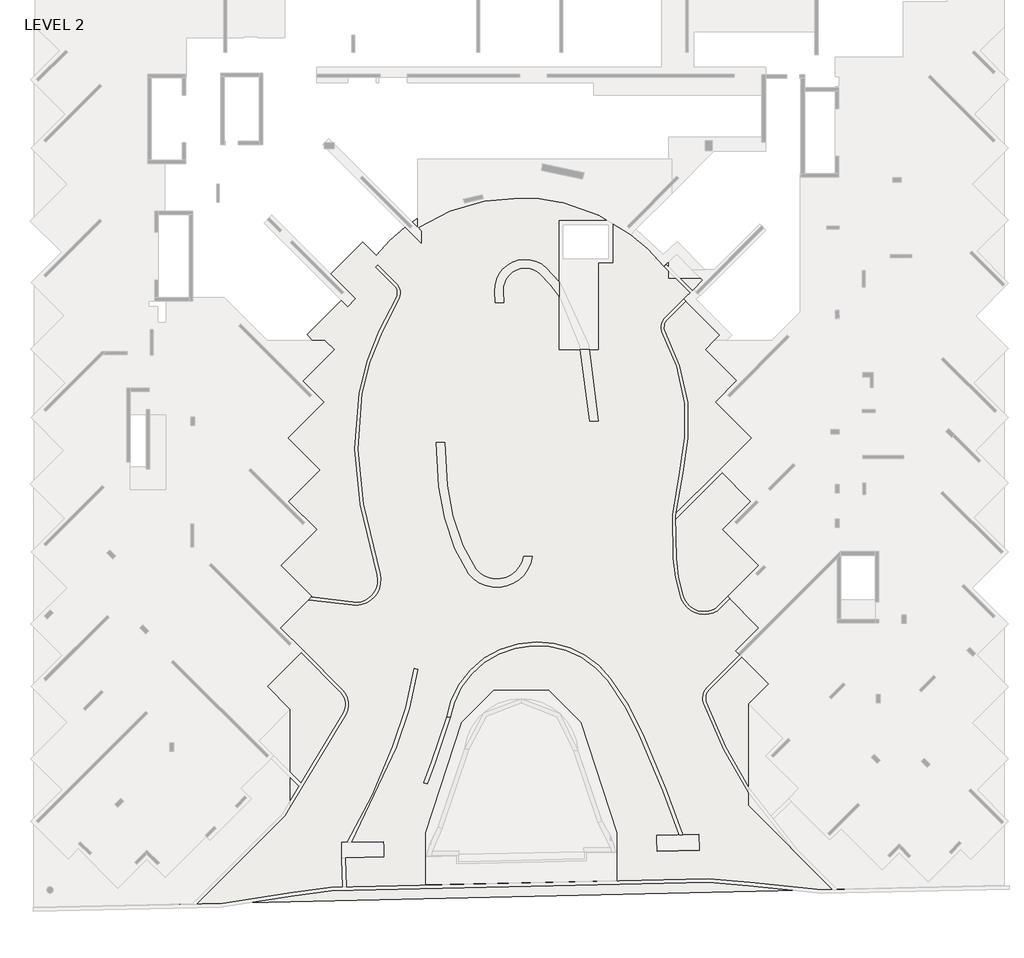
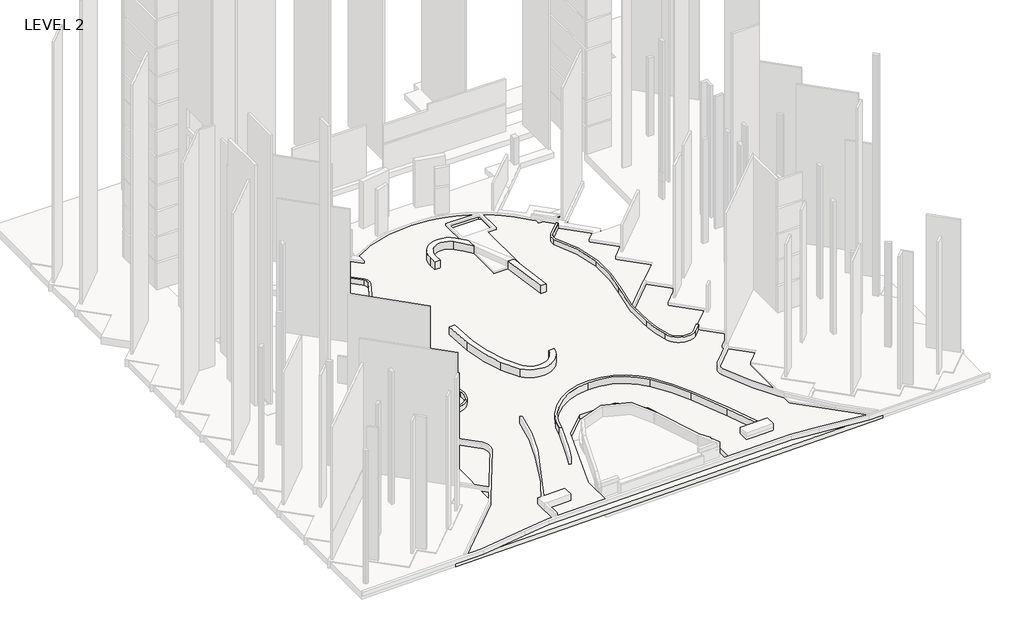
# One storey, part 7 of 9: 6 slabs.
"""IFC4 building model written with IfcOpenShell, lengths in millimetres."""

from ifc_helpers import new_model, si_unit, point, frame, frame_2d, origin, place, context, project, spatial, polyline, circle_curve, trimmed, segment, composite_curve, outline, extrude, element, save
from ifc_brep_helpers import plane_surface, cylinder_surface, revolved_surface, advanced_brep

model = new_model("IFC4")

# Units and contexts
model_context = context("Model", 3, world=origin())
ifc_project = project(units=[si_unit("LENGTHUNIT", "METRE", prefix="MILLI")], contexts=[model_context])

# Site, building, storey
site = spatial("IfcSite", under=ifc_project)
building = spatial("IfcBuilding", under=site)
storey = spatial("IfcBuildingStorey", under=building, Name="LEVEL 2", Elevation=6400.0)

# Slabs
placement = place(None, origin())
element("IfcSlab", 1, ObjectType="500 TRANSFER SLAB", at=placement, inside=storey, context=model_context, shape_type="AdvancedBrep", body=[
    advanced_brep(
    [(194842.4547218, 162595.1642451, 5600.0), (192991.4203716, 164446.1985953, 5600.0), (195526.2610305, 166981.0392541, 5600.0), (193935.3200159, 168571.9802687, 5600.0), (196141.4931732, 170778.153426, 5600.0), (193950.8837771, 172968.7628221, 5600.0), (196482.3214168, 175500.2004618, 5600.0), (194492.322329, 177490.1995495, 5600.0), (196698.4294091, 179696.3066297, 5600.0), (194441.0325421, 181953.7034967, 5600.0), (196972.5455329, 184485.2164875, 5600.0), (195510.4381327, 185947.3238876, 5600.0), (197716.6112901, 188153.497045, 5600.0), (197067.4589571, 188802.649378, 5600.0), (196659.5057217, 189210.6026134, 5600.0), (199615.212067, 192166.3089587, 5600.0), (198305.5012468, 193476.019779, 5600.0), (200568.2439929, 195738.7625251, 5600.0), (201523.5822749, 194783.4242431, 5600.0), (209566.3095501, 199270.0058304, 5600.0), (214385.573271, 199150.1591572, 5600.0), (214685.5736262, 199082.5400279, 5600.0), (218896.100302, 197254.6570902, 5600.0), (221717.4561682, 194836.6052583, 5600.0), (222096.1491692, 195188.234982, 5600.0), (222096.1491692, 194369.4652705, 5600.0), (222096.1491692, 193212.649378, 5600.0), (224334.1950241, 193212.649378, 5600.0), (224791.0345114, 193669.4888652, 5600.0), (225376.1922478, 193084.3311288, 5600.0), (224005.809227, 191713.9481081, 5600.0), (226537.2515037, 189182.5058314, 5600.0), (226157.3950502, 188802.649378, 5600.0), (225547.30201, 188192.5563378, 5600.0), (227753.4751673, 185986.3831805, 5600.0), (226252.4959637, 184485.4039768, 5600.0), (228783.9441688, 181953.9557718, 5600.0), (226521.202469, 179691.214072, 5600.0), (228727.3743348, 177485.0422061, 5600.0), (226761.6174831, 175519.2853544, 5600.0), (229293.0597598, 172987.8430777, 5600.0), (227083.5529604, 170778.3362784, 5600.0), (229289.90897, 168571.9802687, 5600.0), (227670.6836842, 166952.7549829, 5600.0), (229989.9939265, 164633.4447406, 5600.0), (228322.4499864, 162965.9008006, 5600.0), (228322.4499864, 162614.428938, 5600.0), (228322.4499864, 156324.0781567, 5600.0), (234463.7133537, 150182.8147894, 5600.0), (187681.4543592, 149120.3033393, 5600.0), (194842.4547218, 156281.3037019, 5600.0), (194842.4547218, 162243.6923825, 5600.0), (205019.4448888, 150479.2795986, 5600.0), (218436.3204833, 150784.1848017, 5600.0), (218436.3204833, 154161.1019726, 5600.0), (215909.7571098, 161937.0644729, 5600.0), (213661.3978573, 164185.4237254, 5600.0), (209794.3675147, 164185.4237254, 5600.0), (207546.0082623, 161937.0644729, 5600.0), (205019.4448888, 154161.1019726, 5600.0), (217934.8799629, 197237.649378, 5600.0), (214685.5689775, 197237.649378, 5600.0), (214385.5689775, 197237.649378, 5600.0), (214385.5689775, 188172.649378, 5600.0), (217145.5689775, 188172.649378, 5600.0), (217145.5689775, 194287.649378, 5600.0), (218155.5689775, 194287.649378, 5600.0), (218155.5689775, 197112.670826, 5600.0), (204437.7148824, 197413.6077568, 6100.0), (204046.8231035, 197150.7594054, 6100.0), (204437.7148824, 196759.8676266, 6100.0), (192991.4203716, 164446.1985953, 6100.0), (194842.4547218, 162595.1642451, 6100.0), (194842.4547218, 162243.6923825, 6100.0), (194842.4547218, 156281.3037019, 6100.0), (187681.4543592, 149120.3033393, 6100.0), (234463.7133537, 150182.8147894, 6100.0), (228322.4499864, 156324.0781567, 6100.0), (228322.4499864, 162614.428938, 6100.0), (228322.4499864, 162965.9008006, 6100.0), (229989.9939265, 164633.4447406, 6100.0), (227670.6836842, 166952.7549829, 6100.0), (229289.90897, 168571.9802687, 6100.0), (227083.5529604, 170778.3362784, 6100.0), (229293.0597598, 172987.8430777, 6100.0), (226761.6174831, 175519.2853544, 6100.0), (228727.3743348, 177485.0422061, 6100.0), (226521.202469, 179691.214072, 6100.0), (228783.9441688, 181953.9557718, 6100.0), (226252.4959637, 184485.4039768, 6100.0), (227753.4751673, 185986.3831805, 6100.0), (225547.30201, 188192.5563378, 6100.0), (226157.3950502, 188802.649378, 6100.0), (226537.2515037, 189182.5058314, 6100.0), (224005.809227, 191713.9481081, 6100.0), (224272.5545476, 191980.6934287, 6100.0), (223848.2904789, 192404.9574974, 6100.0), (224495.0886918, 193051.7557103, 6100.0), (224334.1950241, 193212.649378, 6100.0), (222843.744852, 193212.649378, 6100.0), (222560.9021396, 193212.649378, 6100.0), (222096.1491692, 193212.649378, 6100.0), (222096.1491692, 193677.4023483, 6100.0), (222096.1491692, 193960.2450608, 6100.0), (222096.1491692, 195188.234982, 6100.0), (221717.4561682, 194836.6052583, 6100.0), (219787.5342604, 196631.4732276, 6100.0), (219427.0324267, 196270.9713939, 6100.0), (218590.6932732, 196848.8458027, 6100.0), (218155.5689775, 197112.670826, 6100.0), (218155.5689775, 194287.649378, 6100.0), (217145.5689775, 194287.649378, 6100.0), (217145.5689775, 188172.649378, 6100.0), (214385.5689775, 188172.649378, 6100.0), (214385.5689775, 197237.649378, 6100.0), (217934.8799629, 197237.649378, 6100.0), (214685.5694668, 198493.9042698, 6100.0), (214385.5633866, 198561.1362281, 6100.0), (211612.4270036, 198837.7401482, 6100.0), (204460.6709386, 196736.9115704, 6100.0), (204687.7148824, 196509.8676266, 6100.0), (204687.7148824, 195661.3394892, 6100.0), (203949.8088815, 196399.24549, 6100.0), (203558.7634232, 196790.2909484, 6100.0), (201523.5822749, 194783.4242431, 6100.0), (200568.2439929, 195738.7625251, 6100.0), (198305.5012468, 193476.019779, 6100.0), (198729.7653155, 193051.7557103, 6100.0), (199615.212067, 192166.3089587, 6100.0), (199076.5104922, 191627.6073839, 6100.0), (196659.5057217, 189210.6026134, 6100.0), (197067.4589571, 188802.649378, 6100.0), (197716.6112901, 188153.497045, 6100.0), (195510.4381327, 185947.3238876, 6100.0), (196972.5455329, 184485.2164875, 6100.0), (194441.0325421, 181953.7034967, 6100.0), (196698.4294091, 179696.3066297, 6100.0), (194492.322329, 177490.1995495, 6100.0), (196482.3214168, 175500.2004618, 6100.0), (193950.8837771, 172968.7628221, 6100.0), (196141.4931732, 170778.153426, 6100.0), (193935.3200159, 168571.9802687, 6100.0), (195526.2610305, 166981.0392541, 6100.0), (218436.3204833, 150784.1848017, 6100.0), (205019.4448888, 150479.2795986, 6100.0), (205019.4448888, 154161.1019726, 6100.0), (207546.0082623, 161937.0644729, 6100.0), (209794.3675147, 164185.4237254, 6100.0), (213661.3978573, 164185.4237254, 6100.0), (215909.7571098, 161937.0644729, 6100.0), (218436.3204833, 154161.1019726, 6100.0), (225376.1922478, 193084.3311288, 5800.0), (224791.0345114, 193669.4888652, 5800.0), (224272.5545476, 191980.6934287, 5800.0), (217934.8799629, 197237.649378, 5800.0), (218155.5689775, 197112.670826, 5800.0), (218896.100302, 197254.6570902, 5800.0), (219787.5342604, 196631.4732276, 5800.0), (203558.7634232, 196790.2909484, 5800.0), (204046.8231035, 197150.7594054, 5800.0), (204437.7148824, 197413.6077568, 5800.0), (209566.3095501, 199270.0058304, 5800.0), (214385.5689775, 199150.1601035, 5800.0), (214685.5689775, 199082.5413665, 5800.0), (218590.6932732, 196848.8458027, 5800.0), (219427.0324267, 196270.9713939, 5800.0), (204437.7148824, 196759.8676266, 5800.0), (204687.7148824, 195661.3394892, 5800.0), (204687.7148824, 196509.8676266, 5800.0), (204460.6709386, 196736.9115704, 5800.0), (211612.4270036, 198837.7401482, 5800.0), (224495.0886918, 193051.7557103, 5800.0), (223848.2904789, 192404.9574974, 5800.0), (224334.1950241, 193212.649378, 5800.0)],
    [
        (0, 1),
        (1, 2),
        (2, 3),
        (3, 4),
        (4, 5),
        (5, 6),
        (6, 7),
        (7, 8),
        (8, 9),
        (9, 10),
        (10, 11),
        (11, 12),
        (12, 13),
        (13, 14),
        (14, 15),
        (15, 16),
        (16, 17),
        (17, 18),
        (18, 19, circle_curve(frame((211050.3523109, 187157.623984, 5600.0), z_axis=(0.0, 0.0, -1.0), x_axis=(1.0, 0.0, 0.0)), 12202.9577116)),
        (19, 20, circle_curve(frame((211655.8914284, 186340.2578392, 5600.0), z_axis=(0.0, 0.0, -1.0), x_axis=(1.0, 0.0, 0.0)), 13097.5087533)),
        (20, 21, circle_curve(frame((211655.8914284, 186340.2578392, 5600.0), z_axis=(0.0, 0.0, -1.0), x_axis=(1.0, 0.0, 0.0)), 13097.5087227)),
        (21, 22, circle_curve(frame((211655.8914284, 186340.2578392, 5600.0), z_axis=(0.0, 0.0, -1.0), x_axis=(1.0, 0.0, 0.0)), 13097.5085263)),
        (22, 23, circle_curve(frame((211667.830905, 185965.803932, 5600.0), z_axis=(0.0, 0.0, -1.0), x_axis=(1.0, 0.0, 0.0)), 13404.7038051)),
        (23, 24),
        (24, 25),
        (25, 26),
        (26, 27),
        (27, 28),
        (28, 29),
        (29, 30),
        (30, 31),
        (31, 32),
        (32, 33),
        (33, 34),
        (34, 35),
        (35, 36),
        (36, 37),
        (37, 38),
        (38, 39),
        (39, 40),
        (40, 41),
        (41, 42),
        (42, 43),
        (43, 44),
        (44, 45),
        (45, 46),
        (46, 47),
        (47, 48),
        (48, 49),
        (49, 50),
        (50, 51),
        (51, 0),
        (52, 53),
        (53, 54),
        (54, 55),
        (55, 56),
        (56, 57),
        (57, 58),
        (58, 59),
        (59, 52),
        (60, 61),
        (61, 62),
        (62, 63),
        (63, 64),
        (64, 65),
        (65, 66),
        (66, 67),
        (67, 60, circle_curve(frame((211735.6562939, 186033.6293209, 5600.0), z_axis=(0.0, 0.0, 1.0), x_axis=(1.0, 0.0, 0.0)), 12804.7038051)),
        (68, 69, circle_curve(frame((211050.3523109, 187157.623984, 6100.0), z_axis=(0.0, 0.0, 1.0), x_axis=(1.0, 0.0, 0.0)), 12202.9577116)),
        (69, 70),
        (70, 68),
        (71, 72),
        (72, 73),
        (73, 74),
        (74, 75),
        (75, 76),
        (76, 77),
        (77, 78),
        (78, 79),
        (79, 80),
        (80, 81),
        (81, 82),
        (82, 83),
        (83, 84),
        (84, 85),
        (85, 86),
        (86, 87),
        (87, 88),
        (88, 89),
        (89, 90),
        (90, 91),
        (91, 92),
        (92, 93),
        (93, 94),
        (94, 95),
        (95, 96),
        (96, 97),
        (97, 98),
        (98, 99),
        (99, 100),
        (100, 101),
        (101, 102),
        (102, 103),
        (103, 104),
        (104, 105),
        (105, 106, circle_curve(frame((211667.830905, 185965.803932, 6100.0), z_axis=(0.0, 0.0, 1.0), x_axis=(1.0, 0.0, 0.0)), 13404.7038051)),
        (106, 107),
        (107, 108, circle_curve(frame((211735.6562939, 186033.6293209, 6100.0), z_axis=(0.0, 0.0, 1.0), x_axis=(1.0, 0.0, 0.0)), 12804.7038051)),
        (108, 109, circle_curve(frame((211735.6562939, 186033.6293209, 6100.0), z_axis=(0.0, 0.0, 1.0), x_axis=(1.0, 0.0, 0.0)), 12804.7038051)),
        (109, 110),
        (110, 111),
        (111, 112),
        (112, 113),
        (113, 114),
        (114, 115),
        (115, 116, circle_curve(frame((211735.6562939, 186033.6293209, 6100.0), z_axis=(0.0, 0.0, 1.0), x_axis=(1.0, 0.0, 0.0)), 12804.7038051)),
        (116, 117, circle_curve(frame((211735.6562939, 186033.6293209, 6100.0), z_axis=(0.0, 0.0, 1.0), x_axis=(1.0, 0.0, 0.0)), 12804.7038048)),
        (117, 118, circle_curve(frame((211735.6562939, 186033.6293209, 6100.0), z_axis=(0.0, 0.0, 1.0), x_axis=(1.0, 0.0, 0.0)), 12804.7037026)),
        (118, 119, circle_curve(frame((211489.1977134, 186033.6293209, 6100.0), z_axis=(0.0, 0.0, 1.0), x_axis=(1.0, 0.0, 0.0)), 12804.7038051)),
        (119, 120),
        (120, 121),
        (121, 122),
        (122, 123),
        (123, 124, circle_curve(frame((211050.3523109, 187157.623984, 6100.0), z_axis=(0.0, 0.0, 1.0), x_axis=(1.0, 0.0, 0.0)), 12202.9577116)),
        (124, 125),
        (125, 126),
        (126, 127),
        (127, 128),
        (128, 129),
        (129, 130),
        (130, 131),
        (131, 132),
        (132, 133),
        (133, 134),
        (134, 135),
        (135, 136),
        (136, 137),
        (137, 138),
        (138, 139),
        (139, 140),
        (140, 141),
        (141, 142),
        (142, 71),
        (143, 144),
        (144, 145),
        (145, 146),
        (146, 147),
        (147, 148),
        (148, 149),
        (149, 150),
        (150, 143),
        (0, 72),
        (71, 1),
        (142, 2),
        (141, 3),
        (140, 4),
        (139, 5),
        (138, 6),
        (137, 7),
        (136, 8),
        (135, 9),
        (134, 10),
        (133, 11),
        (132, 12),
        (130, 14),
        (128, 15),
        (126, 16),
        (125, 17),
        (124, 18),
        (151, 29),
        (28, 152),
        (152, 151),
        (151, 153),
        (153, 95),
        (94, 30),
        (93, 31),
        (91, 33),
        (90, 34),
        (89, 35),
        (88, 36),
        (87, 37),
        (86, 38),
        (85, 39),
        (84, 40),
        (83, 41),
        (82, 42),
        (81, 43),
        (80, 44),
        (79, 45),
        (47, 77),
        (76, 48),
        (75, 49),
        (74, 50),
        (23, 105),
        (104, 24),
        (60, 154),
        (154, 115),
        (114, 62),
        (113, 63),
        (112, 64),
        (111, 65),
        (110, 66),
        (109, 155),
        (155, 67),
        (22, 156),
        (156, 157, circle_curve(frame((211667.830905, 185965.803932, 5800.0), z_axis=(0.0, 0.0, -1.0), x_axis=(1.0, 0.0, 0.0)), 13404.7038051)),
        (157, 106),
        (52, 144),
        (143, 53),
        (55, 149),
        (148, 56),
        (147, 57),
        (146, 58),
        (123, 158),
        (158, 159, circle_curve(frame((211050.3523109, 187157.623984, 5800.0), z_axis=(0.0, 0.0, -1.0), x_axis=(1.0, 0.0, 0.0)), 12202.9577116)),
        (159, 69),
        (68, 160),
        (160, 161, circle_curve(frame((211050.3523109, 187157.623984, 5800.0), z_axis=(0.0, 0.0, -1.0), x_axis=(1.0, 0.0, 0.0)), 12202.9577116)),
        (161, 19),
        (161, 162, circle_curve(frame((211655.8914284, 186340.2578392, 5800.0), z_axis=(0.0, 0.0, -1.0), x_axis=(1.0, 0.0, 0.0)), 13097.5087533)),
        (162, 163, circle_curve(frame((211655.8914284, 186340.2578392, 5800.0), z_axis=(0.0, 0.0, -1.0), x_axis=(1.0, 0.0, 0.0)), 13097.5087533)),
        (163, 156, circle_curve(frame((211655.8914284, 186340.2578392, 5800.0), z_axis=(0.0, 0.0, -1.0), x_axis=(1.0, 0.0, 0.0)), 13097.5087533)),
        (155, 154, circle_curve(frame((211735.6562939, 186033.6293209, 5800.0), z_axis=(0.0, 0.0, 1.0), x_axis=(1.0, 0.0, 0.0)), 12804.7038051)),
        (164, 165, circle_curve(frame((211735.6562939, 186033.6293209, 5800.0), z_axis=(0.0, 0.0, -1.0), x_axis=(1.0, 0.0, 0.0)), 12804.7038051)),
        (165, 157),
        (160, 166),
        (166, 159),
        (158, 167),
        (167, 168),
        (168, 169),
        (169, 170, circle_curve(frame((211489.1977134, 186033.6293209, 5800.0), z_axis=(0.0, 0.0, -1.0), x_axis=(1.0, 0.0, 0.0)), 12804.7038051)),
        (170, 154, circle_curve(frame((211735.6562939, 186033.6293209, 5800.0), z_axis=(0.0, 0.0, -1.0), x_axis=(1.0, 0.0, 0.0)), 12804.7038051)),
        (155, 164, circle_curve(frame((211735.6562939, 186033.6293209, 5800.0), z_axis=(0.0, 0.0, -1.0), x_axis=(1.0, 0.0, 0.0)), 12804.7038051)),
        (165, 107),
        (164, 108),
        (170, 118),
        (169, 119),
        (121, 167),
        (168, 120),
        (70, 166),
        (150, 54),
        (145, 59),
        (171, 172),
        (172, 153),
        (152, 173),
        (173, 171),
        (172, 96),
        (171, 97),
        (173, 98),
        (27, 173),
        (26, 101),
    ],
    [
        plane_surface(frame((193415.6844403, 164870.462664, 5600.0), z_axis=(0.0, 0.0, -1.0000000000000002), x_axis=(0.7071067811865476, 0.7071067811865476, 0.0))),
        plane_surface(frame((193415.6844403, 164870.462664, 6100.0), z_axis=(0.0, 0.0, 1.0000000000000002), x_axis=(-0.7071067811865476, -0.7071067811865476, 0.0))),
        plane_surface(frame((194842.4547218, 162595.1642451, 5600.0), z_axis=(-0.7071067811865476, -0.7071067811865476, 0.0), x_axis=(0.0, 0.0, 1.0))),
        plane_surface(frame((192991.4203716, 164446.1985953, 5600.0), z_axis=(-0.7071067811865476, 0.7071067811865476, 0.0), x_axis=(0.0, 0.0, 1.0))),
        plane_surface(frame((195526.2610305, 166981.0392541, 5600.0), z_axis=(-0.7071067811865552, -0.7071067811865398, 0.0), x_axis=(0.0, 0.0, 1.0))),
        plane_surface(frame((193935.3200159, 168571.9802687, 5600.0), z_axis=(-0.7071067811865531, 0.707106781186542, 0.0), x_axis=(0.0, 0.0, 1.0))),
        plane_surface(frame((196141.4931732, 170778.153426, 5600.0), z_axis=(-0.7071067811865476, -0.7071067811865476, 0.0), x_axis=(0.0, 0.0, 1.0))),
        plane_surface(frame((193950.8837771, 172968.7628221, 5600.0), z_axis=(-0.7071067811865523, 0.7071067811865427, 0.0), x_axis=(0.0, 0.0, 1.0))),
        plane_surface(frame((196482.3214168, 175500.2004618, 5600.0), z_axis=(-0.7071067811865352, -0.7071067811865599, 0.0), x_axis=(0.0, 0.0, 1.0))),
        plane_surface(frame((194492.322329, 177490.1995495, 5600.0), z_axis=(-0.7071067811865476, 0.7071067811865476, 0.0), x_axis=(0.0, 0.0, 1.0))),
        plane_surface(frame((196698.4294091, 179696.3066297, 5600.0), z_axis=(-0.7071067811865476, -0.7071067811865476, 0.0), x_axis=(0.0, 0.0, 1.0))),
        plane_surface(frame((194441.0325421, 181953.7034967, 5600.0), z_axis=(-0.7071067811865572, 0.7071067811865378, 0.0), x_axis=(0.0, 0.0, 1.0))),
        plane_surface(frame((196972.5455329, 184485.2164875, 5600.0), z_axis=(-0.7071067811865391, -0.7071067811865559, 0.0), x_axis=(0.0, 0.0, 1.0))),
        plane_surface(frame((195510.4381327, 185947.3238876, 5600.0), z_axis=(-0.7071067811865087, 0.7071067811865864, 0.0), x_axis=(0.0, 0.0, 1.0))),
        plane_surface(frame((197716.6112901, 188153.497045, 5600.0), z_axis=(-0.7071067811865359, -0.7071067811865591, 0.0), x_axis=(0.0, 0.0, 1.0))),
        plane_surface(frame((196659.5057217, 189210.6026134, 5600.0), z_axis=(-0.7071067811865559, 0.7071067811865392, 0.0), x_axis=(0.0, 0.0, 1.0))),
        plane_surface(frame((199615.212067, 192166.3089587, 5600.0), z_axis=(-0.7071067811865476, -0.7071067811865476, 0.0), x_axis=(0.0, 0.0, 1.0))),
        plane_surface(frame((198305.5012468, 193476.019779, 5600.0), z_axis=(-0.7071067811865476, 0.7071067811865476, 0.0), x_axis=(0.0, 0.0, 1.0))),
        plane_surface(frame((200568.2439929, 195738.7625251, 5600.0), z_axis=(0.7071067811865476, 0.7071067811865476, 0.0), x_axis=(0.0, 0.0, 1.0))),
        plane_surface(frame((222706.0106426, 195754.5127341, 5600.0), z_axis=(0.7071067811865613, 0.7071067811865338, 0.0), x_axis=(0.0, 0.0, 1.0))),
        plane_surface(frame((225376.1922478, 193084.3311288, 5600.0), z_axis=(0.7071067811865476, -0.7071067811865476, 0.0), x_axis=(0.0, 0.0, 1.0))),
        plane_surface(frame((224005.809227, 191713.9481081, 5600.0), z_axis=(0.7071067811865427, 0.7071067811865523, 0.0), x_axis=(0.0, 0.0, 1.0))),
        plane_surface(frame((226537.2515037, 189182.5058314, 5600.0), z_axis=(0.7071067811865228, -0.7071067811865723, 0.0), x_axis=(0.0, 0.0, 1.0))),
        plane_surface(frame((225547.30201, 188192.5563378, 5600.0), z_axis=(0.7071067811865476, 0.7071067811865476, 0.0), x_axis=(0.0, 0.0, 1.0))),
        plane_surface(frame((227753.4751673, 185986.3831805, 5600.0), z_axis=(0.7071067811865476, -0.7071067811865476, 0.0), x_axis=(0.0, 0.0, 1.0))),
        plane_surface(frame((226252.4959637, 184485.4039768, 5600.0), z_axis=(0.7071067811865476, 0.7071067811865476, 0.0), x_axis=(0.0, 0.0, 1.0))),
        plane_surface(frame((228783.9441688, 181953.9557718, 5600.0), z_axis=(0.7071067811865476, -0.7071067811865476, 0.0), x_axis=(0.0, 0.0, 1.0))),
        plane_surface(frame((226521.202469, 179691.214072, 5600.0), z_axis=(0.7071067811865476, 0.7071067811865476, 0.0), x_axis=(0.0, 0.0, 1.0))),
        plane_surface(frame((228727.3743348, 177485.0422061, 5600.0), z_axis=(0.7071067811865414, -0.7071067811865538, 0.0), x_axis=(0.0, 0.0, 1.0))),
        plane_surface(frame((226761.6174831, 175519.2853544, 5600.0), z_axis=(0.7071067811865427, 0.7071067811865523, 0.0), x_axis=(0.0, 0.0, 1.0))),
        plane_surface(frame((229293.0597598, 172987.8430777, 5600.0), z_axis=(0.707106781186542, -0.7071067811865531, 0.0), x_axis=(0.0, 0.0, 1.0))),
        plane_surface(frame((227083.5529604, 170778.3362784, 5600.0), z_axis=(0.707106781186542, 0.7071067811865531, 0.0), x_axis=(0.0, 0.0, 1.0))),
        plane_surface(frame((229289.90897, 168571.9802687, 5600.0), z_axis=(0.7071067811865324, -0.7071067811865627, 0.0), x_axis=(0.0, 0.0, 1.0))),
        plane_surface(frame((227670.6836842, 166952.7549829, 5600.0), z_axis=(0.7071067811865476, 0.7071067811865476, 0.0), x_axis=(0.0, 0.0, 1.0))),
        plane_surface(frame((229989.9939265, 164633.4447406, 5600.0), z_axis=(0.7071067811865476, -0.7071067811865476, 0.0), x_axis=(0.0, 0.0, 1.0))),
        plane_surface(frame((228322.4499864, 156324.0781567, 5600.0), z_axis=(0.7071067811865505, 0.7071067811865446, 0.0), x_axis=(0.0, 0.0, 1.0))),
        plane_surface(frame((234463.7133537, 150182.8147894, 5600.0), z_axis=(0.022705990313226447, -0.9997421857678588, 0.0), x_axis=(0.0, 0.0, 1.0))),
        plane_surface(frame((187681.4543592, 149120.3033393, 5600.0), z_axis=(-0.7071067811865476, 0.7071067811865476, 0.0), x_axis=(0.0, 0.0, 1.0))),
        plane_surface(frame((194842.4547218, 156281.3037019, 5600.0), z_axis=(-1.0, 0.0, 0.0), x_axis=(0.0, 0.0, 1.0))),
        plane_surface(frame((228322.4499864, 162965.9008006, 5600.0), z_axis=(1.0, 0.0, 0.0), x_axis=(0.0, 0.0, 1.0))),
        plane_surface(frame((221717.4561682, 194836.6052583, 5600.0), z_axis=(-0.6804367830011344, 0.7328067851344358, 0.0), x_axis=(0.0, 0.0, 1.0))),
        plane_surface(frame((217934.8799629, 197237.649378, 5600.0), z_axis=(0.0, -1.0, 0.0), x_axis=(0.0, 0.0, 1.0))),
        plane_surface(frame((214385.5689775, 197237.649378, 5600.0), z_axis=(1.0, 0.0, 0.0), x_axis=(0.0, 0.0, 1.0))),
        plane_surface(frame((214385.5689775, 188172.649378, 5600.0), z_axis=(0.0, 1.0, 0.0), x_axis=(0.0, 0.0, 1.0))),
        plane_surface(frame((217145.5689775, 188172.649378, 5600.0), z_axis=(-1.0, 0.0, 0.0), x_axis=(0.0, 0.0, 1.0))),
        plane_surface(frame((217145.5689775, 194287.649378, 5600.0), z_axis=(0.0, 1.0, 0.0), x_axis=(0.0, 0.0, 1.0))),
        plane_surface(frame((218155.5689775, 194287.649378, 5600.0), z_axis=(-1.0, 0.0, 0.0), x_axis=(0.0, 0.0, 1.0))),
        cylinder_surface(frame((211667.830905, 185965.803932, 6100.0), z_axis=(0.0, 0.0, -1.0), x_axis=(1.0, 0.0, 0.0)), 13404.7038051),
        plane_surface(frame((205019.4448888, 150479.2795986, 5600.0), z_axis=(-0.022719633760669142, 0.999741875806841, 0.0), x_axis=(0.0, 0.0, 1.0))),
        plane_surface(frame((215909.7571098, 161937.0644729, 5600.0), z_axis=(-0.7071067811865476, -0.7071067811865476, 0.0), x_axis=(0.0, 0.0, 1.0))),
        plane_surface(frame((213661.3978573, 164185.4237254, 5600.0), z_axis=(0.0, -1.0, 0.0), x_axis=(0.0, 0.0, 1.0))),
        plane_surface(frame((209794.3675147, 164185.4237254, 5600.0), z_axis=(0.7071067811865476, -0.7071067811865476, 0.0), x_axis=(0.0, 0.0, 1.0))),
        cylinder_surface(frame((211050.3523109, 187157.623984, 6100.0), z_axis=(0.0, 0.0, -1.0), x_axis=(1.0, 0.0, 0.0)), 12202.9577116),
        cylinder_surface(frame((211655.8914284, 186340.2578392, 6100.0), z_axis=(0.0, 0.0, -1.0), x_axis=(1.0, 0.0, 0.0)), 13097.5087533),
        revolved_surface(polyline([(224540.360099, 186033.6293209, 5800.0), (224540.360099, 186033.6293209, 5600.0)]), (211735.6562939, 186033.6293209, 6400.0), (0.0, 0.0, 1.0)),
        plane_surface(frame((231651.1491692, 203124.0560378, 5800.0), z_axis=(0.0, 0.0, 1.0), x_axis=(1.0, 0.0, 0.0))),
        plane_surface(frame((225280.1170706, 202124.0560378, 5800.0), z_axis=(-0.7071067811865496, 0.7071067811865455, 0.0), x_axis=(0.0, 0.0, 1.0))),
        cylinder_surface(frame((211735.6562939, 186033.6293209, 6400.0), z_axis=(0.0, 0.0, 1.0), x_axis=(1.0, 0.0, 0.0)), 12804.7038051),
        cylinder_surface(frame((211489.1977134, 186033.6293209, 6400.0), z_axis=(0.0, 0.0, 1.0), x_axis=(1.0, 0.0, 0.0)), 12804.7038051),
        plane_surface(frame((204687.7148824, 195661.3394892, 5800.0), z_axis=(0.7071067811864133, 0.7071067811866818, 0.0), x_axis=(0.0, 0.0, 1.0))),
        plane_surface(frame((204460.6709386, 196736.9115704, 5800.0), z_axis=(-0.7071067811863856, -0.7071067811867094, 0.0), x_axis=(0.0, 0.0, 1.0))),
        plane_surface(frame((204687.7148824, 196509.8676266, 5800.0), z_axis=(-1.0, 0.0, 0.0), x_axis=(0.0, 0.0, 1.0))),
        plane_surface(frame((204437.7148824, 196759.8676266, 5800.0), z_axis=(1.0, 0.0, 0.0), x_axis=(0.0, 0.0, 1.0))),
        plane_surface(frame((198173.6711353, 203023.9113736, 5800.0), z_axis=(-0.7071067811864126, -0.7071067811866825, 0.0), x_axis=(0.0, 0.0, 1.0))),
        plane_surface(frame((218436.3204833, 150784.1848017, 5600.0), z_axis=(-1.0, 0.0, 0.0), x_axis=(0.0, 0.0, 1.0))),
        plane_surface(frame((218436.3204833, 154161.1019726, 5600.0), z_axis=(-0.9510565162951552, -0.3090169943749424, 0.0), x_axis=(0.0, 0.0, 1.0))),
        plane_surface(frame((207546.0082623, 161937.0644729, 5600.0), z_axis=(0.9510565162951555, -0.30901699437494184, 0.0), x_axis=(0.0, 0.0, 1.0))),
        plane_surface(frame((205019.4448888, 154161.1019726, 5600.0), z_axis=(1.0, 0.0, 0.0), x_axis=(0.0, 0.0, 1.0))),
        plane_surface(frame((228929.9419966, 196581.4928083, 5800.0), z_axis=(0.0, 0.0, 1.0000000000000002), x_axis=(-0.7071067811865502, -0.7071067811865449, 0.0))),
        plane_surface(frame((224300.8485823, 191952.399394, 5800.0), z_axis=(0.7071067811865476, 0.7071067811865476, 0.0), x_axis=(0.0, 0.0, 1.0))),
        plane_surface(frame((223848.2904789, 192404.9574974, 5800.0), z_axis=(0.7071067811865286, -0.7071067811865664, 0.0), x_axis=(0.0, 0.0, 1.0))),
        plane_surface(frame((224495.0886918, 193051.7557103, 5800.0), z_axis=(0.7071067811865476, 0.7071067811865476, 0.0), x_axis=(0.0, 0.0, 1.0))),
        plane_surface(frame((224791.0345114, 193669.4888652, 5600.0), z_axis=(-0.7071067811865476, 0.7071067811865476, 0.0), x_axis=(0.0, 0.0, 1.0))),
        plane_surface(frame((224334.1950241, 193212.649378, 5600.0), z_axis=(0.0, 1.0, 0.0), x_axis=(0.0, 0.0, 1.0))),
        plane_surface(frame((222096.1491692, 193212.649378, 5600.0), z_axis=(1.0, 0.0, 0.0), x_axis=(0.0, 0.0, 1.0))),
    ],
    [
        (0, [[1, 2, 3, 4, 5, 6, 7, 8, 9, 10, 11, 12, 13, 14, 15, 16, 17, 18, 19, 20, 21, 22, 23, 24, 25, 26, 27, 28, 29, 30, 31, 32, 33, 34, 35, 36, 37, 38, 39, 40, 41, 42, 43, 44, 45, 46, 47, 48, 49, 50, 51, 52], [53, 54, 55, 56, 57, 58, 59, 60], [61, 62, 63, 64, 65, 66, 67, 68]]),
        (1, [[69, 70, 71]]),
        (1, [[72, 73, 74, 75, 76, 77, 78, 79, 80, 81, 82, 83, 84, 85, 86, 87, 88, 89, 90, 91, 92, 93, 94, 95, 96, 97, 98, 99, 100, 101, 102, 103, 104, 105, 106, 107, 108, 109, 110, 111, 112, 113, 114, 115, 116, 117, 118, 119, 120, 121, 122, 123, 124, 125, 126, 127, 128, 129, 130, 131, 132, 133, 134, 135, 136, 137, 138, 139, 140, 141, 142, 143], [144, 145, 146, 147, 148, 149, 150, 151]]),
        (2, [[-1, 152, -72, 153]]),
        (3, [[-2, -153, -143, 154]]),
        (4, [[-3, -154, -142, 155]]),
        (5, [[-4, -155, -141, 156]]),
        (6, [[-5, -156, -140, 157]]),
        (7, [[-6, -157, -139, 158]]),
        (8, [[-7, -158, -138, 159]]),
        (9, [[-8, -159, -137, 160]]),
        (10, [[-9, -160, -136, 161]]),
        (11, [[-10, -161, -135, 162]]),
        (12, [[-11, -162, -134, 163]]),
        (13, [[-12, -163, -133, 164]]),
        (14, [[-14, -13, -164, -132, -131, 165]]),
        (15, [[-15, -165, -130, -129, 166]]),
        (16, [[-16, -166, -128, -127, 167]]),
        (17, [[-17, -167, -126, 168]]),
        (18, [[-18, -168, -125, 169]]),
        (19, [[170, -29, 171, 172]]),
        (20, [[-30, -170, 173, 174, -95, 175]]),
        (21, [[-31, -175, -94, 176]]),
        (22, [[-33, -32, -176, -93, -92, 177]]),
        (23, [[-34, -177, -91, 178]]),
        (24, [[-35, -178, -90, 179]]),
        (25, [[-36, -179, -89, 180]]),
        (26, [[-37, -180, -88, 181]]),
        (27, [[-38, -181, -87, 182]]),
        (28, [[-39, -182, -86, 183]]),
        (29, [[-40, -183, -85, 184]]),
        (30, [[-41, -184, -84, 185]]),
        (31, [[-42, -185, -83, 186]]),
        (32, [[-43, -186, -82, 187]]),
        (33, [[-44, -187, -81, 188]]),
        (34, [[-45, -188, -80, 189]]),
        (35, [[-48, 190, -77, 191]]),
        (36, [[-49, -191, -76, 192]]),
        (37, [[-50, -192, -75, 193]]),
        (38, [[-52, -51, -193, -74, -73, -152]]),
        (39, [[-47, -46, -189, -79, -78, -190]]),
        (40, [[194, -105, 195, -24]]),
        (41, [[-62, -61, 196, 197, -115, 198]]),
        (42, [[-63, -198, -114, 199]]),
        (43, [[-64, -199, -113, 200]]),
        (44, [[-65, -200, -112, 201]]),
        (45, [[-66, -201, -111, 202]]),
        (46, [[-67, -202, -110, 203, 204]]),
        (47, [[-23, 205, 206, 207, -106, -194]]),
        (48, [[-53, 208, -144, 209]]),
        (49, [[-56, 210, -149, 211]]),
        (50, [[-57, -211, -148, 212]]),
        (51, [[-58, -212, -147, 213]]),
        (52, [[-19, -169, -124, 214, 215, 216, -69, 217, 218, 219]]),
        (53, [[-22, -21, -20, -219, 220, 221, 222, -205]]),
        (54, [[-68, -204, 223, -196]]),
        (55, [[224, 225, -206, -222, -221, -220, -218, 226, 227, -215, 228, 229, 230, 231, 232, -223, 233]]),
        (56, [[-225, 234, -107, -207]]),
        (57, [[-224, 235, -108, -234]]),
        (57, [[-232, 236, -118, -117, -116, -197]]),
        (57, [[-233, -203, -109, -235]]),
        (58, [[-231, 237, -119, -236]]),
        (59, [[-228, -214, -123, -122, 238]]),
        (60, [[-230, 239, -120, -237]]),
        (61, [[-229, -238, -121, -239]]),
        (62, [[-226, -217, -71, 240]]),
        (63, [[-227, -240, -70, -216]]),
        (64, [[-54, -209, -151, 241]]),
        (65, [[-55, -241, -150, -210]]),
        (66, [[-59, -213, -146, 242]]),
        (67, [[-60, -242, -145, -208]]),
        (68, [[243, 244, -173, -172, 245, 246]]),
        (69, [[-244, 247, -96, -174]]),
        (70, [[-243, 248, -97, -247]]),
        (71, [[-248, -246, 249, -98]]),
        (72, [[250, -245, -171, -28]]),
        (73, [[-250, -27, 251, -101, -100, -99, -249]]),
        (74, [[-251, -26, -25, -195, -104, -103, -102]]),
    ],
),
])
element("IfcSlab", 2, ObjectType="F2A - 600mm Concrete Curb", at=placement, inside=storey, context=model_context, shape_type="SweptSolid", body=[
    extrude(outline(composite_curve([segment(polyline([(202873.3947338, 192585.0836472), (201496.287895, 193962.1904856), (201637.7092513, 194103.6118418), (203025.7489716, 192715.5721219)]), True, "CONTINUOUS"), segment(trimmed(circle_curve(frame_2d((202279.7477646, 192160.2504141)), 930.0), [point((203025.7489716, 192715.5721219))], [point((203130.6105956, 191784.8407141))], False, "CARTESIAN"), True, "CONTINUOUS"), segment(polyline([(203130.6105956, 191784.8407141), (201928.0121023, 189417.8556113)]), True, "CONTINUOUS"), segment(trimmed(circle_curve(frame_2d((215753.6798639, 182533.1670964)), 15445.0), [point((201928.0121023, 189417.8556113))], [point((200518.4384507, 185069.984804))], True, "CARTESIAN"), True, "CONTINUOUS"), segment(trimmed(circle_curve(frame_2d((221812.1022058, 181385.9674477)), 21610.0), [point((200518.4384507, 185069.984804))], [point((200593.7603707, 177290.3515273))], True, "CARTESIAN"), True, "CONTINUOUS"), segment(trimmed(circle_curve(frame_2d((252770.6546381, 187361.6624949)), 53140.0), [point((200593.7603707, 177290.3515273))], [point((201793.3338075, 172355.9182305))], True, "CARTESIAN"), True, "CONTINUOUS"), segment(trimmed(circle_curve(frame_2d((200060.6885224, 171948.069832)), 1780.0), [point((201793.3338075, 172355.9182305))], [point((200140.3146946, 170169.8517146))], False, "CARTESIAN"), True, "CONTINUOUS"), segment(polyline([(200140.3146946, 170169.8517146), (196769.3130142, 170557.4451297), (196949.8704261, 170738.0025416), (200146.832772, 170370.4199442)]), True, "CONTINUOUS"), segment(trimmed(circle_curve(frame_2d((200060.6885224, 171948.069832)), 1580.0), [point((200146.832772, 170370.4199442))], [point((201599.8696686, 172304.8910744))], True, "CARTESIAN"), True, "CONTINUOUS"), segment(trimmed(circle_curve(frame_2d((252770.6546381, 187361.6624949)), 53340.0), [point((201599.8696686, 172304.8910744))], [point((200397.385157, 177252.4467062))], False, "CARTESIAN"), True, "CONTINUOUS"), segment(trimmed(circle_curve(frame_2d((221812.1022058, 181385.9674477)), 21810.0), [point((200397.385157, 177252.4467062))], [point((200321.2585325, 185103.4582962))], False, "CARTESIAN"), True, "CONTINUOUS"), segment(trimmed(circle_curve(frame_2d((215753.6798639, 182533.1670964)), 15645.0), [point((200321.2585325, 185103.4582962))], [point((201749.3418645, 189507.7310397))], False, "CARTESIAN"), True, "CONTINUOUS"), segment(polyline([(201749.3418645, 189507.7310397), (202949.6828416, 191870.2728413)]), True, "CONTINUOUS"), segment(trimmed(circle_curve(frame_2d((202279.7477646, 192160.2504141)), 730.0), [point((202949.6828416, 191870.2728413))], [point((202873.3947338, 192585.0836472))], True, "CARTESIAN"), True, "CONTINUOUS")], self_intersect=False)), frame((0.0, 0.0, 6100.0), z_axis=(0.0, 0.0, 1.0), x_axis=(1.0, 0.0, 0.0)), (0.0, 0.0, 1.0), 600.0),
])
element("IfcSlab", 3, ObjectType="F2A - 600mm Concrete Curb", at=placement, inside=storey, context=model_context, shape_type="SweptSolid", body=[
    extrude(outline(composite_curve([segment(trimmed(circle_curve(frame_2d((222540.4603771, 189716.0553781)), 780.0), [point((221939.643709, 190213.468015))], [point((221784.2561902, 189524.8611635))], True, "CARTESIAN"), True, "CONTINUOUS"), segment(trimmed(circle_curve(frame_2d((209447.6182864, 182707.5016871)), 14095.0), [point((221784.2561902, 189524.8611635))], [point((223436.6986748, 184432.2204719))], False, "CARTESIAN"), True, "CONTINUOUS"), segment(trimmed(circle_curve(frame_2d((206392.513972, 183181.6734646)), 17090.0), [point((223436.6986748, 184432.2204719))], [point((223078.2507922, 179486.5027288))], False, "CARTESIAN"), True, "CONTINUOUS"), segment(trimmed(circle_curve(frame_2d((238866.4410204, 175237.3205345)), 16350.0), [point((223078.2507922, 179486.5027288))], [point((222611.0617006, 173480.8629711))], True, "CARTESIAN"), True, "CONTINUOUS"), segment(trimmed(circle_curve(frame_2d((234160.9005659, 174316.1007734)), 11580.0), [point((222611.0617006, 173480.8629711))], [point((223094.1274148, 170906.8586258))], True, "CARTESIAN"), True, "CONTINUOUS"), segment(trimmed(circle_curve(frame_2d((224600.6664363, 171271.3310892)), 1550.0), [point((223094.1274148, 170906.8586258))], [point((225400.274729, 169943.5033225))], True, "CARTESIAN"), True, "CONTINUOUS"), segment(polyline([(225400.274729, 169943.5033225), (226235.0662539, 170778.2948474), (226376.4876102, 170636.8734912), (225524.933858, 169785.3197389)]), True, "CONTINUOUS"), segment(trimmed(circle_curve(frame_2d((224600.6664363, 171271.3310892)), 1750.0), [point((225524.933858, 169785.3197389))], [point((222901.229829, 170853.7006094))], False, "CARTESIAN"), True, "CONTINUOUS"), segment(trimmed(circle_curve(frame_2d((234160.9005659, 174316.1007734)), 11780.0), [point((222901.229829, 170853.7006094))], [point((222411.8391589, 173462.897366))], False, "CARTESIAN"), True, "CONTINUOUS"), segment(trimmed(circle_curve(frame_2d((238866.4410204, 175237.3205345)), 16550.0), [point((222411.8391589, 173462.897366))], [point((222883.9478333, 179534.111375))], False, "CARTESIAN"), True, "CONTINUOUS"), segment(trimmed(circle_curve(frame_2d((206392.513972, 183181.6734646)), 16890.0), [point((222883.9478333, 179534.111375))], [point((223237.5961323, 184412.6515369))], True, "CARTESIAN"), True, "CONTINUOUS"), segment(trimmed(circle_curve(frame_2d((209447.6182864, 182707.5016871)), 13895.0), [point((223237.5961323, 184412.6515369))], [point((221597.446265, 189449.3638253))], True, "CARTESIAN"), True, "CONTINUOUS"), segment(trimmed(circle_curve(frame_2d((222540.4603771, 189716.0553781)), 980.0), [point((221597.446265, 189449.3638253))], [point((221791.9586833, 190348.6257017))], False, "CARTESIAN"), True, "CONTINUOUS"), segment(polyline([(221791.9586833, 190348.6257017), (223157.2810896, 191713.9481081), (223298.7024459, 191572.5267518), (221939.643709, 190213.468015)]), True, "CONTINUOUS")], self_intersect=False)), frame((0.0, 0.0, 6100.0), z_axis=(0.0, 0.0, 1.0), x_axis=(1.0, 0.0, 0.0)), (0.0, 0.0, 1.0), 600.0),
])
element("IfcSlab", 4, ObjectType="F2A - 800mm Concrete Curb", at=placement, inside=storey, context=model_context, shape_type="SweptSolid", body=[
    extrude(outline(composite_curve([segment(trimmed(circle_curve(frame_2d((212738.0400094, 161209.3595219)), 6368.1427436), [point((206754.8755681, 163389.9523932))], [point((212806.3658392, 167577.1357101))], False, "CARTESIAN"), True, "CONTINUOUS"), segment(trimmed(circle_curve(frame_2d((212934.9467326, 161290.3642149)), 6288.0862653), [point((212806.3658392, 167577.1357101))], [point((217992.0722358, 165027.4099095))], False, "CARTESIAN"), True, "CONTINUOUS"), segment(trimmed(circle_curve(frame_2d((204701.0577793, 154700.3589897)), 16831.4897138), [point((217992.0722358, 165027.4099095))], [point((220255.9363358, 161130.3511419))], False, "CARTESIAN"), True, "CONTINUOUS"), segment(polyline([(220255.9363358, 161130.3511419), (221895.6934506, 157229.8651208)]), True, "CONTINUOUS"), segment(trimmed(circle_curve(frame_2d((181597.6609746, 140294.2540677)), 43712.0846355), [point((221895.6934506, 157229.8651208))], [point((223101.6121705, 154011.7020195))], False, "CARTESIAN"), True, "CONTINUOUS"), segment(polyline([(223101.6121705, 154011.7020195), (222840.2041523, 154005.7613917)]), True, "CONTINUOUS"), segment(trimmed(circle_curve(frame_2d((181597.6609746, 140294.2540677)), 43462.0846355), [point((222840.2041523, 154005.7613917))], [point((221665.2249607, 157132.992651))], True, "CARTESIAN"), True, "CONTINUOUS"), segment(polyline([(221665.2249607, 157132.992651), (220025.1826335, 161034.1571062)]), True, "CONTINUOUS"), segment(trimmed(circle_curve(frame_2d((204701.0577793, 154700.3589897)), 16581.4897138), [point((220025.1826335, 161034.1571062))], [point((217792.7947307, 164876.4203457))], True, "CARTESIAN"), True, "CONTINUOUS"), segment(trimmed(circle_curve(frame_2d((212934.9467326, 161290.3642149)), 6038.0862653), [point((217792.7947307, 164876.4203457))], [point((212486.0271266, 167311.7392185))], True, "CARTESIAN"), True, "CONTINUOUS"), segment(trimmed(circle_curve(frame_2d((212735.3910473, 161198.6803879)), 6118.1427436), [point((212486.0271266, 167311.7392185))], [point((206993.0867182, 163309.9860559))], True, "CARTESIAN"), True, "CONTINUOUS"), segment(trimmed(circle_curve(frame_2d((180497.2868511, 169333.9884656)), 27171.9711399), [point((206993.0867182, 163309.9860559))], [point((206733.1481156, 162263.2318341))], False, "CARTESIAN"), True, "CONTINUOUS"), segment(polyline([(206733.1481156, 162263.2318341), (206474.1406005, 162263.2318341)]), True, "CONTINUOUS"), segment(trimmed(circle_curve(frame_2d((180497.2868511, 169333.9884656)), 26921.9711399), [point((206474.1406005, 162263.2318341))], [point((206754.8755681, 163389.9523932))], True, "CARTESIAN"), True, "CONTINUOUS")], self_intersect=False)), frame((0.0, 0.0, 6100.0), z_axis=(0.0, 0.0, 1.0), x_axis=(1.0, 0.0, 0.0)), (0.0, 0.0, 1.0), 800.0),
])
element("IfcSlab", 5, ObjectType="F2A - 900mm Concrete Curb", at=placement, inside=storey, context=model_context, shape_type="SweptSolid", body=[
    extrude(outline(composite_curve([segment(trimmed(circle_curve(frame_2d((237978.7966909, 181861.8761217)), 32225.0), [point((205927.2110802, 178523.2409451))], [point((205754.7274631, 181616.9528567))], False, "CARTESIAN"), True, "CONTINUOUS"), segment(polyline([(205754.7274631, 181616.9528567), (206354.7451226, 181616.9528567)]), True, "CONTINUOUS"), segment(trimmed(circle_curve(frame_2d((237978.7966909, 181861.8761217)), 31625.0), [point((206354.7451226, 181616.9528567))], [point((206523.65879, 178588.5101728))], True, "CARTESIAN"), True, "CONTINUOUS"), segment(trimmed(circle_curve(frame_2d((222593.0260074, 180434.0621851)), 16175.0), [point((206523.65879, 178588.5101728))], [point((207591.1148256, 174386.4770562))], True, "CARTESIAN"), True, "CONTINUOUS"), segment(trimmed(circle_curve(frame_2d((217030.0251206, 178534.1357262)), 10310.0), [point((207591.1148256, 174386.4770562))], [point((208507.343441, 172732.412104))], True, "CARTESIAN"), True, "CONTINUOUS"), segment(trimmed(circle_curve(frame_2d((210000.7260699, 173954.994749)), 1930.0), [point((208507.343441, 172732.412104))], [point((211898.1967401, 173602.1420096))], True, "CARTESIAN"), True, "CONTINUOUS"), segment(polyline([(211898.1967401, 173602.1420096), (212505.9994969, 173602.1420096)]), True, "CONTINUOUS"), segment(trimmed(circle_curve(frame_2d((210000.7260699, 173954.994749)), 2530.0), [point((212505.9994969, 173602.1420096))], [point((208025.5045652, 172374.0456646))], False, "CARTESIAN"), True, "CONTINUOUS"), segment(trimmed(circle_curve(frame_2d((217030.0251206, 178534.1357262)), 10910.0), [point((208025.5045652, 172374.0456646))], [point((207038.0727299, 174153.6120792))], False, "CARTESIAN"), True, "CONTINUOUS"), segment(trimmed(circle_curve(frame_2d((222593.0260074, 180434.0621851)), 16775.0), [point((207038.0727299, 174153.6120792))], [point((205927.2110802, 178523.2409451))], False, "CARTESIAN"), True, "CONTINUOUS")], self_intersect=False)), frame((0.0, 0.0, 6100.0), z_axis=(0.0, 0.0, 1.0), x_axis=(1.0, 0.0, 0.0)), (0.0, 0.0, 1.0), 900.0),
])
element("IfcSlab", 6, ObjectType="F2A - 900mm Concrete Curb", at=placement, inside=storey, context=model_context, shape_type="SweptSolid", body=[
    extrude(outline(composite_curve([segment(trimmed(circle_curve(frame_2d((216032.3101117, 192109.0480353)), 6180.0), [point((209883.8504957, 191485.4741821))], [point((209854.9805375, 192290.7052145))], False, "CARTESIAN"), True, "CONTINUOUS"), segment(trimmed(circle_curve(frame_2d((211998.5991826, 192367.6734164)), 2145.0), [point((209854.9805375, 192290.7052145))], [point((213490.7505561, 193908.6176979))], False, "CARTESIAN"), True, "CONTINUOUS"), segment(trimmed(circle_curve(frame_2d((206398.0770586, 186543.5238317)), 10225.0), [point((213490.7505561, 193908.6176979))], [point((214385.5689775, 192927.1433258))], False, "CARTESIAN"), True, "CONTINUOUS"), segment(polyline([(214385.5689775, 192927.1433258), (214385.5689775, 191913.8681265)]), True, "CONTINUOUS"), segment(trimmed(circle_curve(frame_2d((206398.0770586, 186543.5238317)), 9625.0), [point((214385.5689775, 191913.8681265))], [point((213073.9194654, 193477.0476948))], True, "CARTESIAN"), True, "CONTINUOUS"), segment(trimmed(circle_curve(frame_2d((211998.5991826, 192367.6734164)), 1545.0), [point((213073.9194654, 193477.0476948))], [point((210455.3681864, 192293.7606816))], True, "CARTESIAN"), True, "CONTINUOUS"), segment(trimmed(circle_curve(frame_2d((216032.3101117, 192109.0480353)), 5580.0), [point((210455.3681864, 192293.7606816))], [point((210487.2622626, 191485.4741821))], True, "CARTESIAN"), True, "CONTINUOUS"), segment(polyline([(210487.2622626, 191485.4741821), (209883.8504957, 191485.4741821)]), True, "CONTINUOUS")], self_intersect=False)), frame((0.0, 0.0, 6100.0), z_axis=(0.0, 0.0, 1.0), x_axis=(1.0, 0.0, 0.0)), (0.0, 0.0, 1.0), 900.0),
    extrude(outline(composite_curve([segment(trimmed(circle_curve(frame_2d((178129.2857262, 180706.5669322)), 39090.0), [point((216499.6611859, 188172.649378))], [point((217143.91472, 183132.844839))], False, "CARTESIAN"), True, "CONTINUOUS"), segment(polyline([(217143.91472, 183132.844839), (216542.7374784, 183132.844839)]), True, "CONTINUOUS"), segment(trimmed(circle_curve(frame_2d((178129.2857262, 180706.5669322)), 38490.0), [point((216542.7374784, 183132.844839))], [point((215888.2278845, 188172.649378))], True, "CARTESIAN"), True, "CONTINUOUS"), segment(polyline([(215888.2278845, 188172.649378), (216499.6611859, 188172.649378)]), True, "CONTINUOUS")], self_intersect=False)), frame((0.0, 0.0, 6100.0), z_axis=(0.0, 0.0, 1.0), x_axis=(1.0, 0.0, 0.0)), (0.0, 0.0, 1.0), 900.0),
])

save(model, "model.ifc")
